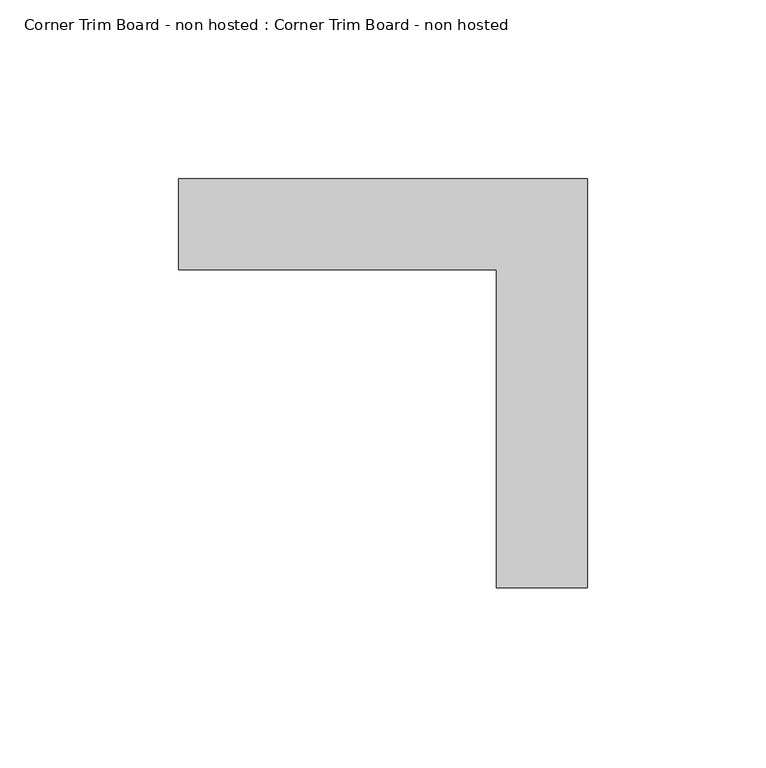
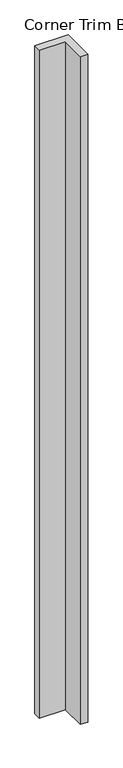
"""IFC4 building model written with IfcOpenShell, lengths in millimetres: proxy geometry, Corner Trim Board - non hosted : Corner Trim Board - non hosted."""

from ifc_helpers import new_model, si_unit, origin, origin_with_axes, place, context, project, spatial, polyline, outline, extrude, source, transform, mapped, element, save


def corner_trim_board_non_hosted_corner_trim_board_non_hosted_6403148e(model_context):
    return source(origin(), model_context, "Body", "SweptSolid", [
        extrude(outline(polyline([(-84.6056616, 25.4), (29.6943384, 25.4), (29.6943384, -88.9), (4.2943384, -88.9), (4.2943384, 0.0), (-84.6056616, 0.0), (-84.6056616, 25.4)])), origin_with_axes(), (0.0, 0.0, 1.0), 2413.0),
    ])


if __name__ == "__main__":
    model = new_model("IFC4")
    model_context = context("Model", 3, world=origin())
    ifc_project = project(units=[si_unit("LENGTHUNIT", "METRE", prefix="MILLI")], contexts=[model_context])
    site = spatial("IfcSite", under=ifc_project)
    building = spatial("IfcBuilding", under=site)
    placement = place(None, origin())
    corner_trim_board_non_hosted_corner_trim_board_non_hosted_shape = corner_trim_board_non_hosted_corner_trim_board_non_hosted_6403148e(model_context)
    element("IfcBuildingElementProxy", 1, Name="Corner Trim Board - non hosted : Corner Trim Board - non hosted", ObjectType="Corner Trim Board - non hosted : Corner Trim Board - non hosted", at=placement, inside=building, context=model_context, shape_type="MappedRepresentation", body=[
        mapped(corner_trim_board_non_hosted_corner_trim_board_non_hosted_shape, transform((0.0, 0.0, 0.0), x_axis=(1.0, 0.0, 0.0), y_axis=(0.0, 1.0, 0.0), z_axis=(0.0, 0.0, 1.0))),
    ])
    save(model, "model.ifc")
